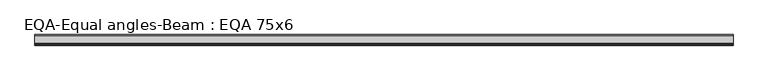
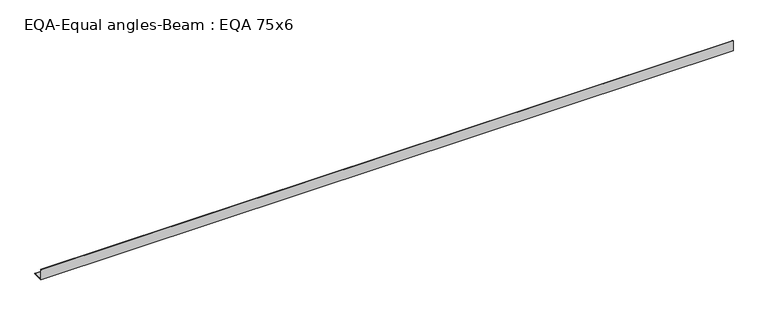
"""IFC4 building model written with IfcOpenShell, lengths in millimetres: beam geometry, EQA-Equal angles-Beam : EQA 75x6."""

import ifcopenshell
import ifcopenshell.guid

model = None  # the IFC model being written
_history = None  # IfcOwnerHistory: only IFC2X3 demands one
_inside = {}  # id of a spatial element -> (the spatial element, [elements in it])
_under = {}  # id of a project, library or spatial element -> (it, [spatial elements below it])
_declared = {}  # id of a project -> (the project, [libraries it declares])
_typed = {}  # id of a type object -> (the type object, [elements of that type])
_made_of = {}  # id of a material, layer set ... -> (it, [elements and type objects made of it])


def new_model(schema):
    """Start an empty IFC model of exactly this schema.

    Asked for "IFC4X3", IfcOpenShell would pick the latest addendum, in which some entities
    have other attributes; the version numbers below select the first issue.
    IFC2X3 requires an IfcOwnerHistory on every rooted entity: one is made here for all.
    """
    global model, _history
    if schema == "IFC4X3":
        model = ifcopenshell.file(schema_version=(4, 3, 0, 0))
    else:
        model = ifcopenshell.file(schema=schema)
    _inside.clear()
    _under.clear()
    _declared.clear()
    _typed.clear()
    _made_of.clear()
    _history = None
    if model.schema == "IFC2X3":
        org = make("IfcOrganization", Name="unknown")
        user = make(
            "IfcPersonAndOrganization",
            ThePerson=make("IfcPerson", FamilyName="unknown"),
            TheOrganization=org,
        )
        app = make(
            "IfcApplication",
            ApplicationDeveloper=org,
            Version="unknown",
            ApplicationFullName="unknown",
            ApplicationIdentifier="unknown",
        )
        _history = make(
            "IfcOwnerHistory",
            OwningUser=user,
            OwningApplication=app,
            ChangeAction="ADDED",
            CreationDate=0,
        )
    return model


def make(cls, **values):
    """One entity of the class cls with the attributes given. An attribute that is None is left unset."""
    return model.create_entity(
        cls, **{name: value for name, value in values.items() if value is not None}
    )


def rooted(cls, **values):
    """An entity with a GlobalId (a new one), such as an element, a storey or a relation."""
    return make(cls, GlobalId=ifcopenshell.guid.new(), OwnerHistory=_history, **values)


def si_unit(unit_type, name, prefix=None):
    """IfcSIUnit, for example si_unit("LENGTHUNIT", "METRE", prefix="MILLI")."""
    return make("IfcSIUnit", UnitType=unit_type, Prefix=prefix, Name=name)


def assignment(units):
    """IfcUnitAssignment: the units of a project."""
    return None if units is None else make("IfcUnitAssignment", Units=units)


def point(xyz):
    """IfcCartesianPoint."""
    return None if xyz is None else make("IfcCartesianPoint", Coordinates=xyz)


def direction(xyz):
    """IfcDirection."""
    return None if xyz is None else make("IfcDirection", DirectionRatios=xyz)


def frame(location, z_axis=None, x_axis=None):
    """IfcAxis2Placement3D, a coordinate frame: its origin and axes. An axis left out is left unset."""
    return make(
        "IfcAxis2Placement3D",
        Location=point(location),
        Axis=direction(z_axis),
        RefDirection=direction(x_axis),
    )


def frame_2d(location, x_axis=None):
    """IfcAxis2Placement2D, a coordinate frame in the plane: its origin and x axis."""
    return make(
        "IfcAxis2Placement2D", Location=point(location), RefDirection=direction(x_axis)
    )


def origin():
    """The frame at (0, 0, 0) with its axes left unset."""
    return frame((0.0, 0.0, 0.0))


def place(relative_to, where):
    """IfcLocalPlacement: puts the frame where relative to a parent placement (None: the world)."""
    return make(
        "IfcLocalPlacement", PlacementRelTo=relative_to, RelativePlacement=where
    )


def context(
    kind, dimensions, precision=None, world=None, true_north=None, identifier=None
):
    """IfcGeometricRepresentationContext, for example the 3D "Model" context."""
    return make(
        "IfcGeometricRepresentationContext",
        ContextIdentifier=identifier,
        ContextType=kind,
        CoordinateSpaceDimension=dimensions,
        Precision=precision,
        WorldCoordinateSystem=world,
        TrueNorth=true_north,
    )


def project(units=None, contexts=None):
    """IfcProject with its units and contexts."""
    return rooted(
        "IfcProject",
        Name="project",
        RepresentationContexts=contexts,
        UnitsInContext=assignment(units),
    )


def spatial(cls, under=None, at=None, **own):
    """A site, building, storey or space (cls), placed at a placement, below another one or the project."""
    s = rooted(cls, ObjectPlacement=at, **own)
    if under is not None:
        _under.setdefault(under.id(), (under, []))[1].append(s)
    return s


def polyline(points):
    """IfcPolyline through the points."""
    return make("IfcPolyline", Points=[point(p) for p in points])


def circle_curve(where, radius):
    """IfcCircle in the frame where."""
    return make("IfcCircle", Position=where, Radius=radius)


def trimmed(basis, trim1, trim2, sense, master):
    """IfcTrimmedCurve: the piece of a basis curve between two trims."""
    return make(
        "IfcTrimmedCurve",
        BasisCurve=basis,
        Trim1=trim1,
        Trim2=trim2,
        SenseAgreement=sense,
        MasterRepresentation=master,
    )


def segment(curve, same_sense, transition):
    """IfcCompositeCurveSegment."""
    return make(
        "IfcCompositeCurveSegment",
        Transition=transition,
        SameSense=same_sense,
        ParentCurve=curve,
    )


def composite_curve(segments, self_intersect=None):
    """IfcCompositeCurve: segments joined end to end."""
    return make("IfcCompositeCurve", Segments=segments, SelfIntersect=self_intersect)


def outline(outer, holes=None, kind="AREA"):
    """IfcArbitraryClosedProfileDef: a profile drawn as a closed curve; with holes, ...WithVoids."""
    if holes is None:
        return make("IfcArbitraryClosedProfileDef", ProfileType=kind, OuterCurve=outer)
    return make(
        "IfcArbitraryProfileDefWithVoids",
        ProfileType=kind,
        OuterCurve=outer,
        InnerCurves=holes,
    )


def extrude(swept, where, along, depth):
    """IfcExtrudedAreaSolid: the profile swept, set in the frame where, extruded along a direction by depth."""
    return make(
        "IfcExtrudedAreaSolid",
        SweptArea=swept,
        Position=where,
        ExtrudedDirection=direction(along),
        Depth=depth,
    )


def shape(context_of_items, identifier, shape_type, items):
    """IfcShapeRepresentation: the items that make up one representation, for example the "Body"."""
    return make(
        "IfcShapeRepresentation",
        ContextOfItems=context_of_items,
        RepresentationIdentifier=identifier,
        RepresentationType=shape_type,
        Items=items,
    )


def source(mapping_origin, context_of_items, identifier, shape_type, items):
    """IfcRepresentationMap: a shape defined once, which mapped items show again and again."""
    return make(
        "IfcRepresentationMap",
        MappingOrigin=mapping_origin,
        MappedRepresentation=shape(context_of_items, identifier, shape_type, items),
    )


def transform(
    local_origin,
    x_axis=None,
    y_axis=None,
    z_axis=None,
    scale=None,
    scale2=None,
    scale3=None,
    uniform=True,
):
    """IfcCartesianTransformationOperator3D, or its non-uniform kind. x_axis, y_axis, z_axis: its Axis1, 2, 3."""
    if uniform:
        return make(
            "IfcCartesianTransformationOperator3D",
            Axis1=direction(x_axis),
            Axis2=direction(y_axis),
            LocalOrigin=point(local_origin),
            Scale=scale,
            Axis3=direction(z_axis),
        )
    return make(
        "IfcCartesianTransformationOperator3DnonUniform",
        Axis1=direction(x_axis),
        Axis2=direction(y_axis),
        LocalOrigin=point(local_origin),
        Scale=scale,
        Axis3=direction(z_axis),
        Scale2=scale2,
        Scale3=scale3,
    )


def mapped(mapping_source, mapping_target):
    """IfcMappedItem: shows the shape of a source again, moved by a transform."""
    return make(
        "IfcMappedItem", MappingSource=mapping_source, MappingTarget=mapping_target
    )


def made_of(thing, what):
    """Note that an element or type object is made of a material, layer set ...; save() writes the relation."""
    if what is not None:
        _made_of.setdefault(what.id(), (what, []))[1].append(thing)
    return thing


def element(
    cls,
    number,
    at=None,
    inside=None,
    cuts=None,
    type_object=None,
    material=None,
    context=None,
    identifier="Body",
    shape_type=None,
    held_by="IfcProductDefinitionShape",
    body=None,
    shapes=None,
    **own,
):
    """One element of the class cls, such as IfcWall. Its Tag is "e" and its number.

    at: its placement. inside: the storey or other place that contains it. cuts: it is an
    opening in that element (IfcRelVoidsElement). A single representation is given by context,
    identifier, shape_type and body (its items); several are given by shapes. held_by: the class
    of the entity that holds the representations. save() writes the other relations.
    """
    e = rooted(cls, Tag="e%d" % number, ObjectPlacement=at, **own)
    if body is not None:
        shapes = [shape(context, identifier, shape_type, body)]
    if shapes is not None:
        e.Representation = make(held_by, Representations=shapes)
    if inside is not None:
        _inside.setdefault(inside.id(), (inside, []))[1].append(e)
    if cuts is not None:
        rooted(
            "IfcRelVoidsElement", RelatingBuildingElement=cuts, RelatedOpeningElement=e
        )
    if type_object is not None:
        _typed.setdefault(type_object.id(), (type_object, []))[1].append(e)
    return made_of(e, material)


def aggregate(whole, parts):
    """IfcRelAggregates: a whole, such as a stair, and the parts it consists of."""
    return rooted("IfcRelAggregates", RelatingObject=whole, RelatedObjects=parts)


def save(model, path):
    """Write the relations noted so far, then the file.

    IfcRelAggregates (storeys below a building ...), IfcRelContainedInSpatialStructure (elements
    in a storey), IfcRelDefinesByType, IfcRelAssociatesMaterial and IfcRelDeclares: one each for
    every whole, place, type object, material and project.
    """
    for whole, parts in _under.values():
        aggregate(whole, parts)
    for where, things in _inside.values():
        rooted(
            "IfcRelContainedInSpatialStructure",
            RelatedElements=things,
            RelatingStructure=where,
        )
    for kind, things in _typed.values():
        rooted("IfcRelDefinesByType", RelatedObjects=things, RelatingType=kind)
    for what, things in _made_of.values():
        rooted("IfcRelAssociatesMaterial", RelatedObjects=things, RelatingMaterial=what)
    for by, libraries in _declared.values():
        rooted("IfcRelDeclares", RelatingContext=by, RelatedDefinitions=libraries)
    model.write(path)


def eqa_equal_angles_beam_eqa_75x6_fc1d1390(model_context):
    return source(origin(), model_context, "Body", "SweptSolid", [
        extrude(outline(composite_curve([segment(polyline([(-20.5, -20.5), (-20.5, 54.5), (-19.0, 54.5)]), True, "CONTINUOUS"), segment(trimmed(circle_curve(frame_2d((-19.0, 50.0)), 4.5), [point((-19.0, 54.5))], [point((-14.5, 50.0))], False, "CARTESIAN"), True, "CONTINUOUS"), segment(polyline([(-14.5, 50.0), (-14.5, -5.5)]), True, "CONTINUOUS"), segment(trimmed(circle_curve(frame_2d((-5.5, -5.5)), 9.0), [point((-14.5, -5.5))], [point((-5.5, -14.5))], True, "CARTESIAN"), True, "CONTINUOUS"), segment(polyline([(-5.5, -14.5), (50.0, -14.5)]), True, "CONTINUOUS"), segment(trimmed(circle_curve(frame_2d((50.0, -19.0)), 4.5), [point((50.0, -14.5))], [point((54.5, -19.0))], False, "CARTESIAN"), True, "CONTINUOUS"), segment(polyline([(54.5, -19.0), (54.5, -20.5), (-20.5, -20.5)]), True, "CONTINUOUS")], self_intersect=False)), frame((-2394.2484952, 0.0, 0.0), z_axis=(1.0, 0.0, 0.0), x_axis=(0.0, 1.0, 0.0)), (0.0, 0.0, 1.0), 4925.8343644),
    ])


if __name__ == "__main__":
    model = new_model("IFC4")
    model_context = context("Model", 3, world=origin())
    ifc_project = project(units=[si_unit("LENGTHUNIT", "METRE", prefix="MILLI")], contexts=[model_context])
    site = spatial("IfcSite", under=ifc_project)
    building = spatial("IfcBuilding", under=site)
    placement = place(None, origin())
    eqa_equal_angles_beam_eqa_75x6_shape = eqa_equal_angles_beam_eqa_75x6_fc1d1390(model_context)
    element("IfcBeam", 1, ObjectType="EQA-Equal angles-Beam : EQA 75x6", at=placement, inside=building, context=model_context, shape_type="MappedRepresentation", body=[
        mapped(eqa_equal_angles_beam_eqa_75x6_shape, transform((0.0, 0.0, 0.0), x_axis=(1.0, 0.0, 0.0), y_axis=(0.0, 1.0, 0.0), z_axis=(0.0, 0.0, 1.0))),
    ])
    save(model, "model.ifc")
